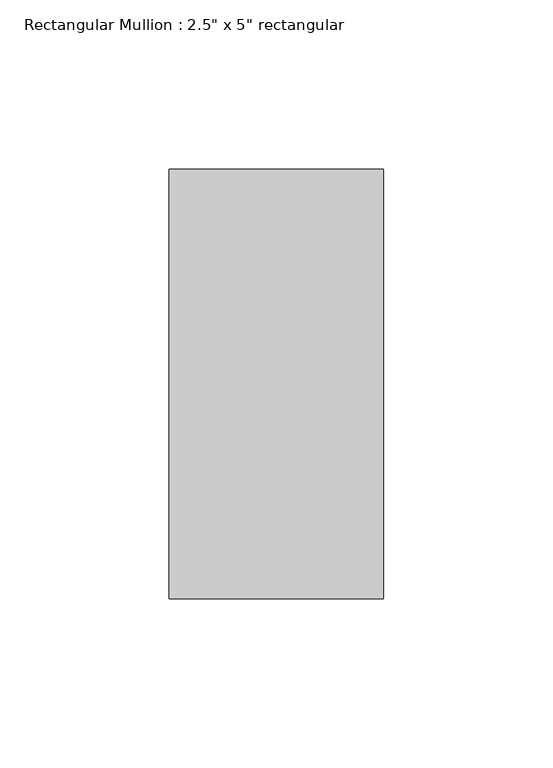
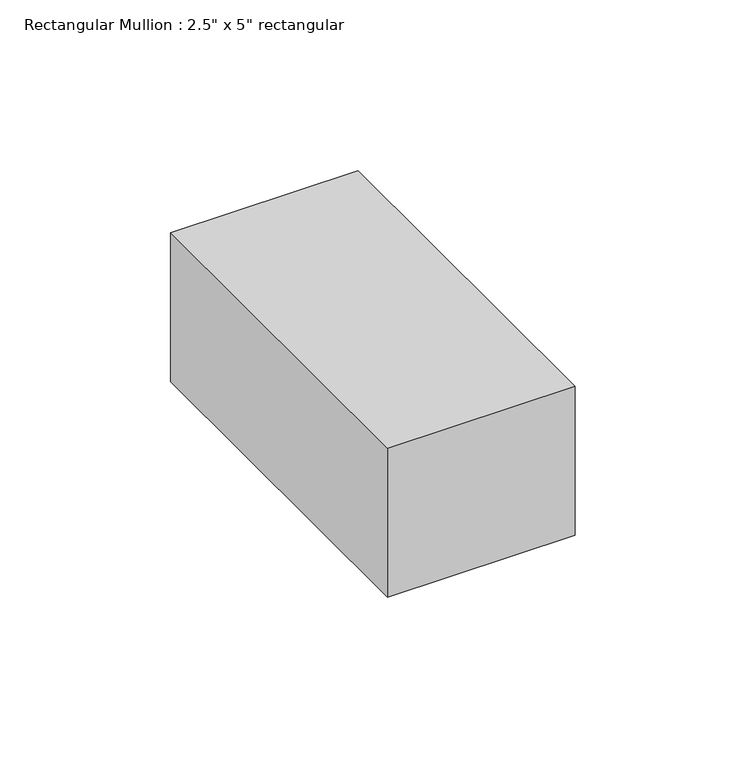
"""IFC4 building model written with IfcOpenShell, lengths in millimetres: member geometry."""

from ifc_helpers import new_model, si_unit, frame, origin, place, context, project, spatial, polyline, outline, extrude, source, transform, mapped, element, save


def member_43941402(model_context):
    return source(origin(), model_context, "Body", "SweptSolid", [
        extrude(outline(polyline([(31.75, 63.5), (31.75, -63.5), (-31.75, -63.5), (-31.75, 63.5), (31.75, 63.5)])), frame((0.0, 0.0, -53.2682352), z_axis=(0.0, 0.0, 1.0), x_axis=(1.0, 0.0, 0.0)), (0.0, 0.0, 1.0), 53.2682352),
    ])


if __name__ == "__main__":
    model = new_model("IFC4")
    model_context = context("Model", 3, world=origin())
    ifc_project = project(units=[si_unit("LENGTHUNIT", "METRE", prefix="MILLI")], contexts=[model_context])
    site = spatial("IfcSite", under=ifc_project)
    building = spatial("IfcBuilding", under=site)
    placement = place(None, origin())
    member_shape = member_43941402(model_context)
    element("IfcMember", 1, ObjectType="Rectangular Mullion : 2.5\" x 5\" rectangular", at=placement, inside=building, context=model_context, shape_type="MappedRepresentation", body=[
        mapped(member_shape, transform((0.0, 0.0, 0.0), x_axis=(1.0, 0.0, 0.0), y_axis=(0.0, 1.0, 0.0), z_axis=(0.0, 0.0, 1.0))),
    ])
    save(model, "model.ifc")
